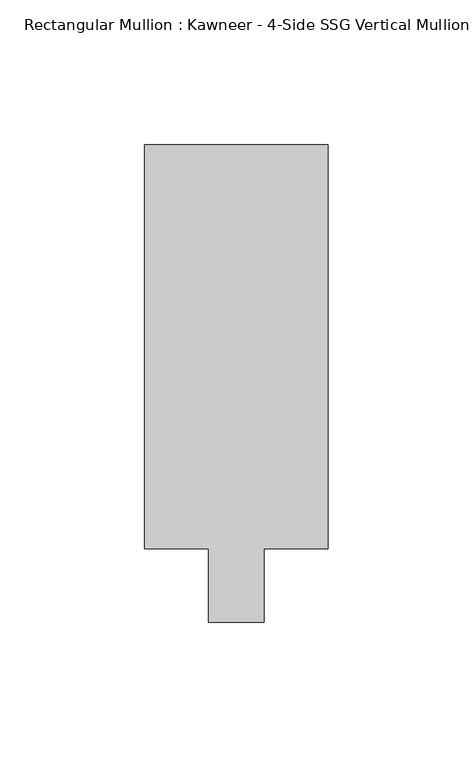
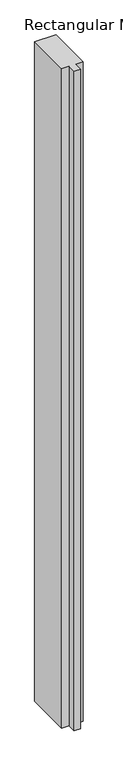
"""IFC4 building model written with IfcOpenShell, lengths in millimetres: member geometry."""

from ifc_helpers import new_model, si_unit, frame, origin, place, context, project, spatial, polyline, outline, extrude, source, transform, mapped, element, save


def member_f1b29580(model_context):
    return source(origin(), model_context, "Body", "SweptSolid", [
        extrude(outline(polyline([(-31.75, 152.399995), (31.75, 152.399995), (31.75, 12.7), (9.5251132, 12.7), (9.5251132, -12.7), (-9.5251132, -12.7), (-9.5251132, 12.7), (-31.75, 12.7), (-31.75, 152.399995)])), frame((0.0, 0.0, -2078.6680655), z_axis=(0.0, 0.0, 1.0), x_axis=(1.0, 0.0, 0.0)), (0.0, 0.0, 1.0), 2078.6680655),
    ])


if __name__ == "__main__":
    model = new_model("IFC4")
    model_context = context("Model", 3, world=origin())
    ifc_project = project(units=[si_unit("LENGTHUNIT", "METRE", prefix="MILLI")], contexts=[model_context])
    site = spatial("IfcSite", under=ifc_project)
    building = spatial("IfcBuilding", under=site)
    placement = place(None, origin())
    member_shape = member_f1b29580(model_context)
    element("IfcMember", 1, ObjectType="Rectangular Mullion : Kawneer - 4-Side SSG Vertical Mullion - 6 1/2\"", at=placement, inside=building, context=model_context, shape_type="MappedRepresentation", body=[
        mapped(member_shape, transform((0.0, 0.0, 0.0), x_axis=(1.0, 0.0, 0.0), y_axis=(0.0, 1.0, 0.0), z_axis=(0.0, 0.0, 1.0))),
    ])
    save(model, "model.ifc")
